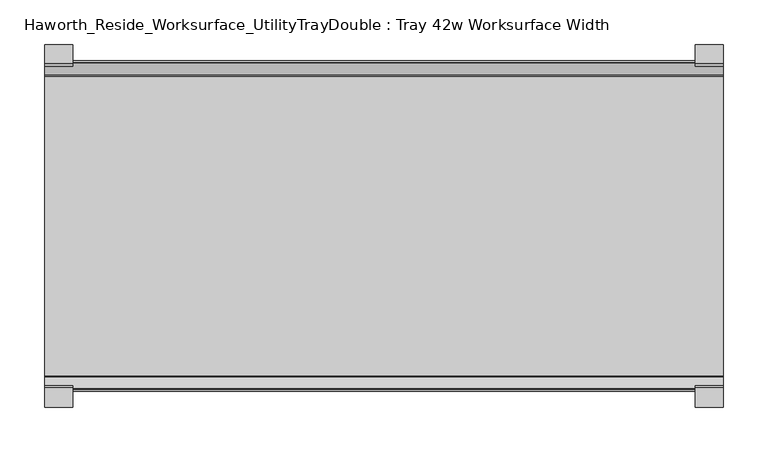
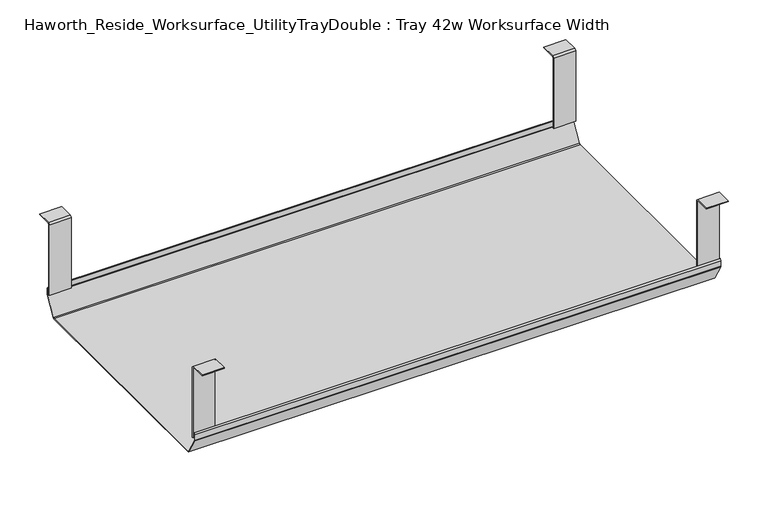
"""IFC4 building model written with IfcOpenShell, lengths in millimetres: furniture geometry, Haworth_Reside_Worksurface_UtilityTrayDouble : Tray 42w Worksurface Width."""

from ifc_helpers import new_model, si_unit, frame, origin, place, context, project, spatial, polyline, outline, extrude, source, transform, mapped, element, save


def haworth_reside_worksurface_utilitytraydouble_tray_42w_9d05dd31(model_context):
    return source(origin(), model_context, "Body", "SweptSolid", [
        extrude(outline(polyline([(-721.2228768, 731.8375), (-718.8278791, 729.4425023), (-718.8278791, 621.6649855), (-720.2248778, 621.6649855), (-720.2248778, 729.0734626), (-721.7824239, 730.6310087), (-743.0086797, 730.6310087), (-743.0086797, 731.8375), (-721.2228768, 731.8375)])), frame((565.0991976, 0.0, 0.0), z_axis=(1.0, 0.0, 0.0), x_axis=(0.0, 1.0, 0.0)), (0.0, 0.0, 1.0), 31.8008024),
        extrude(outline(polyline([(-357.7340763, 731.8375), (-335.9482734, 731.8375), (-335.9482734, 730.6310087), (-357.1745292, 730.6310087), (-358.7320753, 729.0734626), (-358.7320753, 621.6649855), (-360.129074, 621.6649855), (-360.129074, 729.4425023), (-357.7340763, 731.8375)])), frame((565.0991976, 0.0, 0.0), z_axis=(1.0, 0.0, 0.0), x_axis=(0.0, 1.0, 0.0)), (0.0, 0.0, 1.0), 31.8008024),
        extrude(outline(polyline([(-721.2228768, 731.8375), (-718.8278791, 729.4425023), (-718.8278791, 621.6649855), (-720.2248778, 621.6649855), (-720.2248778, 729.0734626), (-721.7824239, 730.6310087), (-743.0086797, 730.6310087), (-743.0086797, 731.8375), (-721.2228768, 731.8375)])), frame((-165.1, 0.0, 0.0), z_axis=(1.0, 0.0, 0.0), x_axis=(0.0, 1.0, 0.0)), (0.0, 0.0, 1.0), 31.8008024),
        extrude(outline(polyline([(-357.7340763, 731.8375), (-335.9482734, 731.8375), (-335.9482734, 730.6310087), (-357.1745292, 730.6310087), (-358.7320753, 729.0734626), (-358.7320753, 621.6649855), (-360.129074, 621.6649855), (-360.129074, 729.4425023), (-357.7340763, 731.8375)])), frame((-165.1, 0.0, 0.0), z_axis=(1.0, 0.0, 0.0), x_axis=(0.0, 1.0, 0.0)), (0.0, 0.0, 1.0), 31.8008024),
        extrude(outline(polyline([(-725.025475, 629.0309966), (-722.993477, 631.0629947), (-722.432211, 630.5017287), (-724.231725, 628.7022146), (-724.231725, 620.8042827), (-724.0067745, 619.9647622), (-708.9140802, 593.8234395), (-707.4787101, 592.9947272), (-371.478243, 592.9947272), (-370.0428729, 593.8234395), (-354.9501786, 619.9647622), (-354.7252281, 620.8042827), (-354.7252281, 628.7022146), (-356.5247421, 630.5017287), (-355.9634761, 631.0629947), (-353.9314781, 629.0309966), (-353.9314781, 620.6997828), (-354.2105217, 619.6583856), (-369.5353957, 593.1149156), (-371.1183815, 592.2009772), (-707.691395, 592.2009772), (-709.4951457, 593.2423744), (-724.7464314, 619.6583856), (-725.025475, 620.6997828), (-725.025475, 629.0309966)])), frame((-165.1, 0.0, 0.0), z_axis=(1.0, 0.0, 0.0), x_axis=(0.0, 1.0, 0.0)), (0.0, 0.0, 1.0), 762.0),
    ])


if __name__ == "__main__":
    model = new_model("IFC4")
    model_context = context("Model", 3, world=origin())
    ifc_project = project(units=[si_unit("LENGTHUNIT", "METRE", prefix="MILLI")], contexts=[model_context])
    site = spatial("IfcSite", under=ifc_project)
    building = spatial("IfcBuilding", under=site)
    placement = place(None, origin())
    haworth_reside_worksurface_utilitytraydouble_tray_42w_shape = haworth_reside_worksurface_utilitytraydouble_tray_42w_9d05dd31(model_context)
    element("IfcFurniture", 1, ObjectType="Haworth_Reside_Worksurface_UtilityTrayDouble : Tray 42w Worksurface Width", at=placement, inside=building, context=model_context, shape_type="MappedRepresentation", body=[
        mapped(haworth_reside_worksurface_utilitytraydouble_tray_42w_shape, transform((0.0, 0.0, 0.0), x_axis=(1.0, 0.0, 0.0), y_axis=(0.0, 1.0, 0.0), z_axis=(0.0, 0.0, 1.0))),
    ])
    save(model, "model.ifc")
